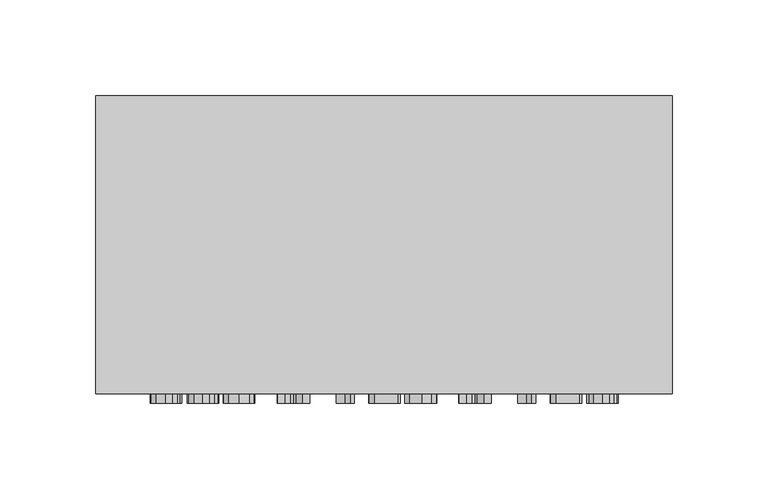
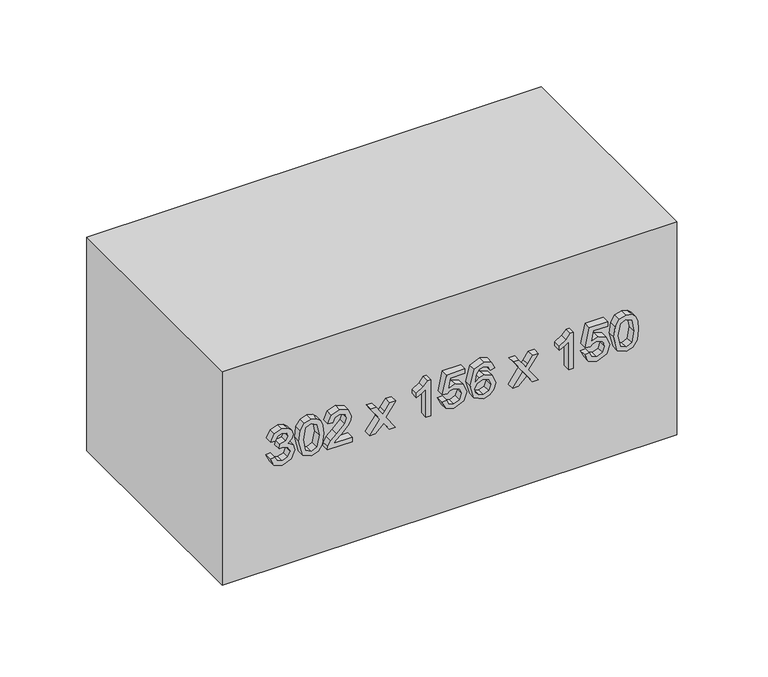
"""IFC4 building model written with IfcOpenShell, lengths in millimetres: furniture geometry."""

from ifc_helpers import new_model, si_unit, frame, origin, origin_with_axes, place, context, project, spatial, polyline, outline, extrude, source, transform, mapped, element, save


def furniture_d9d35230(model_context):
    return source(origin(), model_context, "Body", "SweptSolid", [
        extrude(outline(polyline([(81.6709268, -77.5345978), (76.5757612, -75.0391316), (74.6075925, -69.5331644), (76.9129864, -63.4569801), (82.5293182, -61.0534844), (86.6128083, -62.2552323), (88.7587866, -65.6765349), (90.8373199, -63.1013609), (93.7313249, -62.2307068), (96.8981758, -63.1473461), (99.2526205, -65.7960965), (100.1140775, -69.5822154), (98.3666381, -74.5731478), (93.4431507, -77.1421904), (93.0507432, -74.0029307), (95.9937992, -72.4639577), (96.9748178, -69.4718508), (96.0029962, -66.5165321), (93.5473839, -65.3699665), (90.7760062, -66.9518591), (89.9114835, -71.0169551), (86.7722238, -71.366443), (87.1155804, -69.1652824), (85.8310591, -65.5968271), (82.5845005, -64.1927441), (79.1386724, -65.6090898), (77.7468522, -69.4227998), (78.7585277, -72.6632271), (82.0633343, -74.3953381), (81.6709268, -77.5345978)])), frame((0.0, -161.0, 0.0), z_axis=(0.0, 1.0, 0.0), x_axis=(0.0, 0.0, 1.0)), (0.0, 0.0, 1.0), 5.0),
        extrude(outline(polyline([(87.3547037, -58.3066322), (76.9988255, -55.8050346), (74.6075925, -50.0660755), (75.9840843, -45.4706163), (80.159545, -42.7390925), (87.3547037, -41.8255188), (93.256144, -42.3957359), (96.9717522, -43.8672639), (99.3047371, -46.3995183), (100.1140775, -50.0660755), (98.7467828, -54.6431407), (94.5805192, -57.3838615), (87.3547037, -58.3066322)]), holes=[polyline([(87.360835, -55.1673725), (95.2948234, -53.6467936), (96.9748178, -50.1028637), (95.0679628, -46.3872556), (87.360835, -44.9647785), (79.5709338, -46.4363065), (77.7468522, -50.0660755), (79.5648024, -53.6958445), (87.360835, -55.1673725)])]), frame((0.0, -161.0, 0.0), z_axis=(0.0, 1.0, 0.0), x_axis=(0.0, 0.0, 1.0)), (0.0, 0.0, 1.0), 5.0),
        extrude(outline(polyline([(78.1392597, -22.9899607), (78.1392597, -35.3201389), (79.7364807, -33.9037932), (82.7561787, -30.2924183), (87.0573324, -25.7950609), (90.1352784, -23.9403225), (93.1120569, -23.3823681), (98.1029893, -25.4517044), (100.1140775, -31.0711018), (98.3053244, -36.6721052), (93.0507432, -39.0786666), (92.6583358, -35.9394069), (95.8282523, -34.6180974), (96.9748178, -31.1385469), (95.8006611, -27.8000178), (92.9219845, -26.5216278), (89.3657919, -27.8766598), (84.1357362, -33.2967879), (80.4967701, -37.2269939), (77.1643724, -39.1338489), (75.0, -39.4710741), (75.0, -22.9899607), (78.1392597, -22.9899607)])), frame((0.0, -161.0, 0.0), z_axis=(0.0, 1.0, 0.0), x_axis=(0.0, 0.0, 1.0)), (0.0, 0.0, 1.0), 5.0),
        extrude(outline(polyline([(75.0, -11.2177368), (75.0, -7.440815), (80.5734122, -1.9655047), (75.0, 1.8788622), (75.0, 5.655784), (84.2706263, -0.7331), (93.4431507, 5.9010387), (93.4431507, 2.1241169), (88.648422, -1.3462366), (86.9439021, -2.5786413), (89.0285667, -4.0011184), (93.4431507, -7.0484076), (93.4431507, -10.8253294), (84.2706263, -4.5100218), (75.0, -11.2177368)])), frame((0.0, -161.0, 0.0), z_axis=(0.0, 1.0, 0.0), x_axis=(0.0, 0.0, 1.0)), (0.0, 0.0, 1.0), 5.0),
        extrude(outline(polyline([(75.0, 29.2002317), (100.1140775, 29.2002317), (100.1140775, 27.1768807), (96.7724827, 24.3840433), (93.8355582, 19.7824526), (90.8679767, 19.7824526), (92.452935, 23.0872592), (94.5713221, 26.060972), (75.0, 26.060972), (75.0, 29.2002317)])), frame((0.0, -161.0, 0.0), z_axis=(0.0, 1.0, 0.0), x_axis=(0.0, 0.0, 1.0)), (0.0, 0.0, 1.0), 5.0),
        extrude(outline(polyline([(81.6709268, 36.6559735), (76.5420387, 39.1054544), (74.6075925, 44.6451441), (77.6180935, 51.1689182), (83.4428918, 53.1370869), (89.2309018, 50.9512547), (91.4811134, 45.5832432), (89.6662289, 40.9908496), (96.5824104, 42.3336189), (96.5824104, 51.9598645), (99.7216701, 51.9598645), (99.7216701, 39.7952332), (86.7722238, 37.0483809), (86.3798164, 40.1876406), (87.7961621, 41.9504085), (88.3418537, 44.7064578), (86.9745589, 48.682649), (83.2466881, 49.9978272), (79.2521027, 48.5937442), (77.7468522, 44.6574069), (78.8290384, 41.3771257), (82.0633343, 39.7952332), (81.6709268, 36.6559735)])), frame((0.0, -161.0, 0.0), z_axis=(0.0, 1.0, 0.0), x_axis=(0.0, 0.0, 1.0)), (0.0, 0.0, 1.0), 5.0),
        extrude(outline(polyline([(93.4431507, 71.972645), (98.3421126, 69.6549884), (100.1140775, 64.6947129), (97.2507293, 58.2383839), (86.7231729, 55.4915316), (77.4280212, 57.965538), (74.6075925, 64.3636191), (75.6713846, 68.4777661), (78.7370679, 71.3288515), (83.0688784, 72.3650525), (88.8507571, 70.1638919), (91.0887059, 64.8296029), (90.2701685, 61.3991033), (87.7655052, 58.6307913), (93.3603772, 59.5229052), (96.2145284, 61.6658178), (96.9748178, 64.4985091), (95.6688368, 67.6439002), (93.0507432, 68.8333853), (93.4431507, 71.972645)]), holes=[polyline([(83.1179294, 58.6307913), (86.615874, 60.1912241), (87.9494462, 63.9896057), (86.615874, 67.8370382), (82.9646452, 69.2257928), (79.1509352, 67.8186441), (77.7468522, 64.1183644), (78.4243682, 61.2887387), (80.3986683, 59.3573583), (83.1179294, 58.6307913)])]), frame((0.0, -161.0, 0.0), z_axis=(0.0, 1.0, 0.0), x_axis=(0.0, 0.0, 1.0)), (0.0, 0.0, 1.0), 5.0),
        extrude(outline(polyline([(75.0, 83.7448689), (75.0, 87.5217907), (80.5734122, 92.997101), (75.0, 96.8414679), (75.0, 100.6183897), (84.2706263, 94.2295057), (93.4431507, 100.8636444), (93.4431507, 97.0867225), (88.648422, 93.6163691), (86.9439021, 92.3839644), (89.0285667, 90.9614873), (93.4431507, 87.9141981), (93.4431507, 84.1372763), (84.2706263, 90.4525839), (75.0, 83.7448689)])), frame((0.0, -161.0, 0.0), z_axis=(0.0, 1.0, 0.0), x_axis=(0.0, 0.0, 1.0)), (0.0, 0.0, 1.0), 5.0),
        extrude(outline(polyline([(75.0, 124.1628374), (100.1140775, 124.1628374), (100.1140775, 122.1394864), (96.7724827, 119.3466489), (93.8355582, 114.7450583), (90.8679767, 114.7450583), (92.452935, 118.0498649), (94.5713221, 121.0235777), (75.0, 121.0235777), (75.0, 124.1628374)])), frame((0.0, -161.0, 0.0), z_axis=(0.0, 1.0, 0.0), x_axis=(0.0, 0.0, 1.0)), (0.0, 0.0, 1.0), 5.0),
        extrude(outline(polyline([(81.6709268, 131.6185792), (76.5420387, 134.0680601), (74.6075925, 139.6077498), (77.6180935, 146.1315239), (83.4428918, 148.0996925), (89.2309018, 145.9138604), (91.4811134, 140.5458489), (89.6662289, 135.9534553), (96.5824104, 137.2962246), (96.5824104, 146.9224702), (99.7216701, 146.9224702), (99.7216701, 134.7578389), (86.7722238, 132.0109866), (86.3798164, 135.1502463), (87.7961621, 136.9130142), (88.3418537, 139.6690635), (86.9745589, 143.6452547), (83.2466881, 144.9604329), (79.2521027, 143.5563499), (77.7468522, 139.6200126), (78.8290384, 136.3397314), (82.0633343, 134.7578389), (81.6709268, 131.6185792)])), frame((0.0, -161.0, 0.0), z_axis=(0.0, 1.0, 0.0), x_axis=(0.0, 0.0, 1.0)), (0.0, 0.0, 1.0), 5.0),
        extrude(outline(polyline([(87.3547037, 150.8465448), (76.9988255, 153.3481423), (74.6075925, 159.0871015), (75.9840843, 163.6825607), (80.159545, 166.4140845), (87.3547037, 167.3276582), (93.256144, 166.7574411), (96.9717522, 165.2859131), (99.3047371, 162.7536587), (100.1140775, 159.0871015), (98.7467828, 154.5100363), (94.5805192, 151.7693154), (87.3547037, 150.8465448)]), holes=[polyline([(87.360835, 153.9858045), (95.2948234, 155.5063834), (96.9748178, 159.0503133), (95.0679628, 162.7659214), (87.360835, 164.1883985), (79.5709338, 162.7168705), (77.7468522, 159.0871015), (79.5648024, 155.4573324), (87.360835, 153.9858045)])]), frame((0.0, -161.0, 0.0), z_axis=(0.0, 1.0, 0.0), x_axis=(0.0, 0.0, 1.0)), (0.0, 0.0, 1.0), 5.0),
        extrude(outline(polyline([(195.7003264, 0.0), (195.7003264, -156.0), (-106.2996736, -156.0), (-106.2996736, 0.0), (195.7003264, 0.0)])), origin_with_axes(), (0.0, 0.0, 1.0), 150.0),
    ])


if __name__ == "__main__":
    model = new_model("IFC4")
    model_context = context("Model", 3, world=origin())
    ifc_project = project(units=[si_unit("LENGTHUNIT", "METRE", prefix="MILLI")], contexts=[model_context])
    site = spatial("IfcSite", under=ifc_project)
    building = spatial("IfcBuilding", under=site)
    placement = place(None, origin())
    furniture_shape = furniture_d9d35230(model_context)
    element("IfcFurniture", 1, at=placement, inside=building, context=model_context, shape_type="MappedRepresentation", body=[
        mapped(furniture_shape, transform((0.0, 0.0, 0.0), x_axis=(1.0, 0.0, 0.0), y_axis=(0.0, 1.0, 0.0), z_axis=(0.0, 0.0, 1.0))),
    ])
    save(model, "model.ifc")
